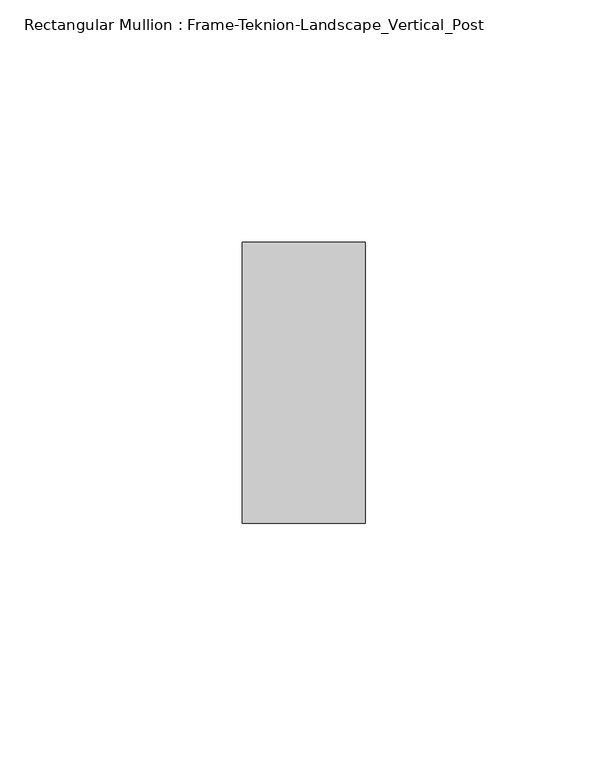
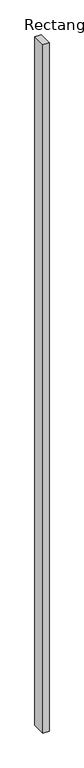
"""IFC4 building model written with IfcOpenShell, lengths in millimetres: member geometry, Rectangular Mullion : Frame-Teknion-Landscape_Vertical_Post."""

from ifc_helpers import new_model, si_unit, frame, origin, place, context, project, spatial, polyline, outline, extrude, source, transform, mapped, element, save


def rectangular_mullion_frame_teknion_landscape_vertical_post_aa214430(model_context):
    return source(origin(), model_context, "Body", "SweptSolid", [
        extrude(outline(polyline([(0.0, 28.971875), (0.0, -28.971875), (-25.4, -28.971875), (-25.4, 28.971875), (0.0, 28.971875)])), frame((0.0, 0.0, -3021.5078001), z_axis=(0.0, 0.0, 1.0), x_axis=(1.0, 0.0, 0.0)), (0.0, 0.0, 1.0), 3021.5078001),
    ])


if __name__ == "__main__":
    model = new_model("IFC4")
    model_context = context("Model", 3, world=origin())
    ifc_project = project(units=[si_unit("LENGTHUNIT", "METRE", prefix="MILLI")], contexts=[model_context])
    site = spatial("IfcSite", under=ifc_project)
    building = spatial("IfcBuilding", under=site)
    placement = place(None, origin())
    rectangular_mullion_frame_teknion_landscape_vertical_post_shape = rectangular_mullion_frame_teknion_landscape_vertical_post_aa214430(model_context)
    element("IfcMember", 1, ObjectType="Rectangular Mullion : Frame-Teknion-Landscape_Vertical_Post", at=placement, inside=building, context=model_context, shape_type="MappedRepresentation", body=[
        mapped(rectangular_mullion_frame_teknion_landscape_vertical_post_shape, transform((0.0, 0.0, 0.0), x_axis=(1.0, 0.0, 0.0), y_axis=(0.0, 1.0, 0.0), z_axis=(0.0, 0.0, 1.0))),
    ])
    save(model, "model.ifc")
